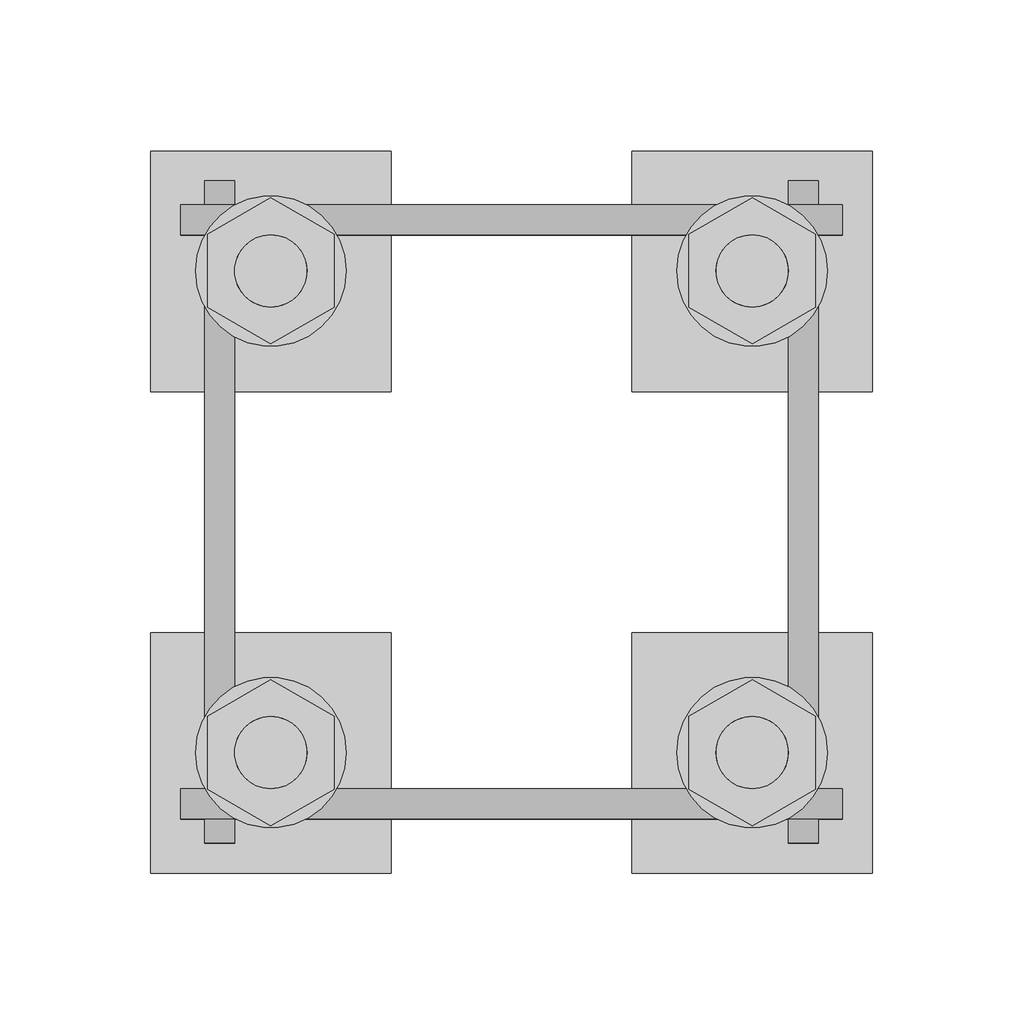
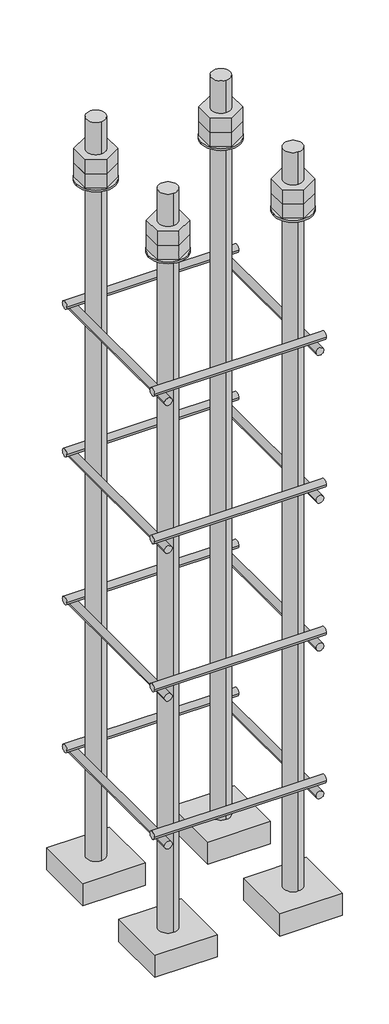
# One storey, part 5 of 66: 1 fastener.
"""IFC4 building model written with IfcOpenShell, lengths in millimetres."""

from ifc_helpers import new_model, si_unit, point, frame, frame_2d, origin, place, context, project, spatial, polyline, circle_curve, trimmed, segment, composite_curve, outline, extrude, element, save
from ifc_brep_helpers import plane_surface, cylinder_surface, advanced_brep

model = new_model("IFC4")

# Units and contexts
model_context = context("Model", 3, world=origin())
ifc_project = project(units=[si_unit("LENGTHUNIT", "METRE", prefix="MILLI")], contexts=[model_context])

# Site, building, storey
site = spatial("IfcSite", under=ifc_project)
building = spatial("IfcBuilding", under=site)
storey = spatial("IfcBuildingStorey", under=building, Elevation=9070.0)

# Fastener
placement = place(None, origin())
element("IfcFastener", 1, ObjectType="AU1 : AU-01", at=placement, inside=storey, context=model_context, shape_type="SolidModel", body=[
    extrude(outline(composite_curve([segment(trimmed(circle_curve(frame_2d((14703.0, 8595.0)), 5.0), [point((14698.0, 8595.0))], [point((14708.0, 8595.0))], False, "CARTESIAN"), True, "CONTINUOUS"), segment(trimmed(circle_curve(frame_2d((14703.0, 8595.0)), 5.0), [point((14708.0, 8595.0))], [point((14698.0, 8595.0))], False, "CARTESIAN"), True, "CONTINUOUS")], self_intersect=False)), frame((17040.0, 0.0, 0.0), z_axis=(1.0, 0.0, 0.0), x_axis=(0.0, 1.0, 0.0)), (0.0, 0.0, 1.0), 220.0),
    extrude(outline(composite_curve([segment(trimmed(circle_curve(frame_2d((14897.0, 8595.0)), 5.0), [point((14902.0, 8595.0))], [point((14892.0, 8595.0))], False, "CARTESIAN"), True, "CONTINUOUS"), segment(trimmed(circle_curve(frame_2d((14897.0, 8595.0)), 5.0), [point((14892.0, 8595.0))], [point((14902.0, 8595.0))], False, "CARTESIAN"), True, "CONTINUOUS")], self_intersect=False)), frame((17040.0, 0.0, 0.0), z_axis=(1.0, 0.0, 0.0), x_axis=(0.0, 1.0, 0.0)), (0.0, 0.0, 1.0), 220.0),
    extrude(outline(composite_curve([segment(trimmed(circle_curve(frame_2d((8585.0, 17053.0)), 5.0), [point((8585.0, 17048.0))], [point((8585.0, 17058.0))], False, "CARTESIAN"), True, "CONTINUOUS"), segment(trimmed(circle_curve(frame_2d((8585.0, 17053.0)), 5.0), [point((8585.0, 17058.0))], [point((8585.0, 17048.0))], False, "CARTESIAN"), True, "CONTINUOUS")], self_intersect=False)), frame((0.0, 14690.0, 0.0), z_axis=(0.0, 1.0, 0.0), x_axis=(0.0, 0.0, 1.0)), (0.0, 0.0, 1.0), 220.0),
    extrude(outline(composite_curve([segment(trimmed(circle_curve(frame_2d((8585.0, 17247.0)), 5.0), [point((8585.0, 17252.0))], [point((8585.0, 17242.0))], False, "CARTESIAN"), True, "CONTINUOUS"), segment(trimmed(circle_curve(frame_2d((8585.0, 17247.0)), 5.0), [point((8585.0, 17242.0))], [point((8585.0, 17252.0))], False, "CARTESIAN"), True, "CONTINUOUS")], self_intersect=False)), frame((0.0, 14690.0, 0.0), z_axis=(0.0, 1.0, 0.0), x_axis=(0.0, 0.0, 1.0)), (0.0, 0.0, 1.0), 220.0),
    extrude(outline(composite_curve([segment(trimmed(circle_curve(frame_2d((14703.0, 8795.0)), 5.0), [point((14698.0, 8795.0))], [point((14708.0, 8795.0))], False, "CARTESIAN"), True, "CONTINUOUS"), segment(trimmed(circle_curve(frame_2d((14703.0, 8795.0)), 5.0), [point((14708.0, 8795.0))], [point((14698.0, 8795.0))], False, "CARTESIAN"), True, "CONTINUOUS")], self_intersect=False)), frame((17040.0, 0.0, 0.0), z_axis=(1.0, 0.0, 0.0), x_axis=(0.0, 1.0, 0.0)), (0.0, 0.0, 1.0), 220.0),
    extrude(outline(composite_curve([segment(trimmed(circle_curve(frame_2d((14897.0, 8795.0)), 5.0), [point((14902.0, 8795.0))], [point((14892.0, 8795.0))], False, "CARTESIAN"), True, "CONTINUOUS"), segment(trimmed(circle_curve(frame_2d((14897.0, 8795.0)), 5.0), [point((14892.0, 8795.0))], [point((14902.0, 8795.0))], False, "CARTESIAN"), True, "CONTINUOUS")], self_intersect=False)), frame((17040.0, 0.0, 0.0), z_axis=(1.0, 0.0, 0.0), x_axis=(0.0, 1.0, 0.0)), (0.0, 0.0, 1.0), 220.0),
    extrude(outline(composite_curve([segment(trimmed(circle_curve(frame_2d((8785.0, 17053.0)), 5.0), [point((8785.0, 17048.0))], [point((8785.0, 17058.0))], False, "CARTESIAN"), True, "CONTINUOUS"), segment(trimmed(circle_curve(frame_2d((8785.0, 17053.0)), 5.0), [point((8785.0, 17058.0))], [point((8785.0, 17048.0))], False, "CARTESIAN"), True, "CONTINUOUS")], self_intersect=False)), frame((0.0, 14690.0, 0.0), z_axis=(0.0, 1.0, 0.0), x_axis=(0.0, 0.0, 1.0)), (0.0, 0.0, 1.0), 220.0),
    extrude(outline(composite_curve([segment(trimmed(circle_curve(frame_2d((8785.0, 17247.0)), 5.0), [point((8785.0, 17252.0))], [point((8785.0, 17242.0))], False, "CARTESIAN"), True, "CONTINUOUS"), segment(trimmed(circle_curve(frame_2d((8785.0, 17247.0)), 5.0), [point((8785.0, 17242.0))], [point((8785.0, 17252.0))], False, "CARTESIAN"), True, "CONTINUOUS")], self_intersect=False)), frame((0.0, 14690.0, 0.0), z_axis=(0.0, 1.0, 0.0), x_axis=(0.0, 0.0, 1.0)), (0.0, 0.0, 1.0), 220.0),
    extrude(outline(composite_curve([segment(trimmed(circle_curve(frame_2d((14703.0, 8995.0)), 5.0), [point((14698.0, 8995.0))], [point((14708.0, 8995.0))], False, "CARTESIAN"), True, "CONTINUOUS"), segment(trimmed(circle_curve(frame_2d((14703.0, 8995.0)), 5.0), [point((14708.0, 8995.0))], [point((14698.0, 8995.0))], False, "CARTESIAN"), True, "CONTINUOUS")], self_intersect=False)), frame((17040.0, 0.0, 0.0), z_axis=(1.0, 0.0, 0.0), x_axis=(0.0, 1.0, 0.0)), (0.0, 0.0, 1.0), 220.0),
    extrude(outline(composite_curve([segment(trimmed(circle_curve(frame_2d((14897.0, 8995.0)), 5.0), [point((14902.0, 8995.0))], [point((14892.0, 8995.0))], False, "CARTESIAN"), True, "CONTINUOUS"), segment(trimmed(circle_curve(frame_2d((14897.0, 8995.0)), 5.0), [point((14892.0, 8995.0))], [point((14902.0, 8995.0))], False, "CARTESIAN"), True, "CONTINUOUS")], self_intersect=False)), frame((17040.0, 0.0, 0.0), z_axis=(1.0, 0.0, 0.0), x_axis=(0.0, 1.0, 0.0)), (0.0, 0.0, 1.0), 220.0),
    extrude(outline(composite_curve([segment(trimmed(circle_curve(frame_2d((8985.0, 17053.0)), 5.0), [point((8985.0, 17048.0))], [point((8985.0, 17058.0))], False, "CARTESIAN"), True, "CONTINUOUS"), segment(trimmed(circle_curve(frame_2d((8985.0, 17053.0)), 5.0), [point((8985.0, 17058.0))], [point((8985.0, 17048.0))], False, "CARTESIAN"), True, "CONTINUOUS")], self_intersect=False)), frame((0.0, 14690.0, 0.0), z_axis=(0.0, 1.0, 0.0), x_axis=(0.0, 0.0, 1.0)), (0.0, 0.0, 1.0), 220.0),
    extrude(outline(composite_curve([segment(trimmed(circle_curve(frame_2d((8985.0, 17247.0)), 5.0), [point((8985.0, 17252.0))], [point((8985.0, 17242.0))], False, "CARTESIAN"), True, "CONTINUOUS"), segment(trimmed(circle_curve(frame_2d((8985.0, 17247.0)), 5.0), [point((8985.0, 17242.0))], [point((8985.0, 17252.0))], False, "CARTESIAN"), True, "CONTINUOUS")], self_intersect=False)), frame((0.0, 14690.0, 0.0), z_axis=(0.0, 1.0, 0.0), x_axis=(0.0, 0.0, 1.0)), (0.0, 0.0, 1.0), 220.0),
    extrude(outline(composite_curve([segment(trimmed(circle_curve(frame_2d((14703.0, 9195.0)), 5.0), [point((14698.0, 9195.0))], [point((14708.0, 9195.0))], False, "CARTESIAN"), True, "CONTINUOUS"), segment(trimmed(circle_curve(frame_2d((14703.0, 9195.0)), 5.0), [point((14708.0, 9195.0))], [point((14698.0, 9195.0))], False, "CARTESIAN"), True, "CONTINUOUS")], self_intersect=False)), frame((17040.0, 0.0, 0.0), z_axis=(1.0, 0.0, 0.0), x_axis=(0.0, 1.0, 0.0)), (0.0, 0.0, 1.0), 220.0),
    extrude(outline(composite_curve([segment(trimmed(circle_curve(frame_2d((14897.0, 9195.0)), 5.0), [point((14902.0, 9195.0))], [point((14892.0, 9195.0))], False, "CARTESIAN"), True, "CONTINUOUS"), segment(trimmed(circle_curve(frame_2d((14897.0, 9195.0)), 5.0), [point((14892.0, 9195.0))], [point((14902.0, 9195.0))], False, "CARTESIAN"), True, "CONTINUOUS")], self_intersect=False)), frame((17040.0, 0.0, 0.0), z_axis=(1.0, 0.0, 0.0), x_axis=(0.0, 1.0, 0.0)), (0.0, 0.0, 1.0), 220.0),
    extrude(outline(composite_curve([segment(trimmed(circle_curve(frame_2d((9185.0, 17053.0)), 5.0), [point((9185.0, 17048.0))], [point((9185.0, 17058.0))], False, "CARTESIAN"), True, "CONTINUOUS"), segment(trimmed(circle_curve(frame_2d((9185.0, 17053.0)), 5.0), [point((9185.0, 17058.0))], [point((9185.0, 17048.0))], False, "CARTESIAN"), True, "CONTINUOUS")], self_intersect=False)), frame((0.0, 14690.0, 0.0), z_axis=(0.0, 1.0, 0.0), x_axis=(0.0, 0.0, 1.0)), (0.0, 0.0, 1.0), 220.0),
    extrude(outline(composite_curve([segment(trimmed(circle_curve(frame_2d((9185.0, 17247.0)), 5.0), [point((9185.0, 17252.0))], [point((9185.0, 17242.0))], False, "CARTESIAN"), True, "CONTINUOUS"), segment(trimmed(circle_curve(frame_2d((9185.0, 17247.0)), 5.0), [point((9185.0, 17242.0))], [point((9185.0, 17252.0))], False, "CARTESIAN"), True, "CONTINUOUS")], self_intersect=False)), frame((0.0, 14690.0, 0.0), z_axis=(0.0, 1.0, 0.0), x_axis=(0.0, 0.0, 1.0)), (0.0, 0.0, 1.0), 220.0),
    advanced_brep(
    [(17110.0, 14920.0, 8450.0), (17030.0, 14920.0, 8450.0), (17030.0, 14840.0, 8450.0), (17110.0, 14840.0, 8450.0), (17070.0, 14868.0, 8450.0), (17070.0, 14892.0, 8450.0), (17110.0, 14920.0, 8420.0), (17110.0, 14840.0, 8420.0), (17030.0, 14840.0, 8420.0), (17030.0, 14920.0, 8420.0), (17070.0, 14892.0, 9450.0), (17070.0, 14868.0, 9450.0)],
    [
        (0, 1),
        (1, 2),
        (2, 3),
        (3, 0),
        (4, 5, circle_curve(frame((17070.0, 14880.0, 8450.0), z_axis=(0.0, 0.0, -1.0), x_axis=(0.0, -1.0, 0.0)), 12.0)),
        (5, 4, circle_curve(frame((17070.0, 14880.0, 8450.0), z_axis=(0.0, 0.0, -1.0), x_axis=(0.0, -1.0, 0.0)), 12.0)),
        (6, 7),
        (7, 8),
        (8, 9),
        (9, 6),
        (0, 6),
        (9, 1),
        (8, 2),
        (7, 3),
        (10, 11, circle_curve(frame((17070.0, 14880.0, 9450.0), z_axis=(0.0, 0.0, 1.0), x_axis=(0.0, -1.0, 0.0)), 12.0)),
        (11, 10, circle_curve(frame((17070.0, 14880.0, 9450.0), z_axis=(0.0, 0.0, 1.0), x_axis=(0.0, -1.0, 0.0)), 12.0)),
        (10, 5),
        (4, 11),
    ],
    [
        plane_surface(frame((17030.0, 14920.0, 8450.0), z_axis=(0.0, 0.0, 1.0), x_axis=(-1.0, 0.0, 0.0))),
        plane_surface(frame((17030.0, 14920.0, 8420.0), z_axis=(0.0, 0.0, -1.0), x_axis=(1.0, 0.0, 0.0))),
        plane_surface(frame((17110.0, 14920.0, 8450.0), z_axis=(0.0, 1.0, 0.0), x_axis=(0.0, 0.0, -1.0))),
        plane_surface(frame((17030.0, 14920.0, 8450.0), z_axis=(-1.0, 0.0, 0.0), x_axis=(0.0, 0.0, -1.0))),
        plane_surface(frame((17030.0, 14840.0, 8450.0), z_axis=(0.0, -1.0, 0.0), x_axis=(0.0, 0.0, -1.0))),
        plane_surface(frame((17110.0, 14840.0, 8450.0), z_axis=(1.0, 0.0, 0.0), x_axis=(0.0, 0.0, -1.0))),
        plane_surface(frame((17070.0, 14880.0, 9450.0), z_axis=(0.0, 0.0, 1.0), x_axis=(0.0, -1.0, 0.0))),
        cylinder_surface(frame((17070.0, 14880.0, 9450.0), z_axis=(0.0, 0.0, 1.0), x_axis=(0.0, -1.0, 0.0)), 12.0),
    ],
    [
        (0, [[1, 2, 3, 4], [5, 6]]),
        (1, [[7, 8, 9, 10]]),
        (2, [[-1, 11, -10, 12]]),
        (3, [[-2, -12, -9, 13]]),
        (4, [[-3, -13, -8, 14]]),
        (5, [[-4, -14, -7, -11]]),
        (6, [[15, 16]]),
        (7, [[-15, 17, -5, 18]]),
        (7, [[-16, -18, -6, -17]]),
    ],
),
    extrude(outline(composite_curve([segment(trimmed(circle_curve(frame_2d((17070.0, 14880.0)), 25.0), [point((17095.0, 14880.0))], [point((17045.0, 14880.0))], False, "CARTESIAN"), True, "CONTINUOUS"), segment(trimmed(circle_curve(frame_2d((17070.0, 14880.0)), 25.0), [point((17045.0, 14880.0))], [point((17095.0, 14880.0))], False, "CARTESIAN"), True, "CONTINUOUS")], self_intersect=False), holes=[composite_curve([segment(trimmed(circle_curve(frame_2d((17070.0, 14880.0)), 12.0), [point((17082.0, 14880.0))], [point((17058.0, 14880.0))], True, "CARTESIAN"), True, "CONTINUOUS"), segment(trimmed(circle_curve(frame_2d((17070.0, 14880.0)), 12.0), [point((17058.0, 14880.0))], [point((17082.0, 14880.0))], True, "CARTESIAN"), True, "CONTINUOUS")], self_intersect=False)]), frame((0.0, 0.0, 9365.0), z_axis=(0.0, 0.0, 1.0), x_axis=(1.0, 0.0, 0.0)), (0.0, 0.0, 1.0), 2.5),
    extrude(outline(polyline([(17070.0, 14904.2487113), (17091.0, 14892.1243557), (17091.0, 14867.8756443), (17070.0, 14855.7512887), (17049.0, 14867.8756443), (17049.0, 14892.1243557), (17070.0, 14904.2487113)]), holes=[composite_curve([segment(trimmed(circle_curve(frame_2d((17070.0, 14880.0)), 12.0), [point((17082.0, 14880.0))], [point((17058.0, 14880.0))], True, "CARTESIAN"), True, "CONTINUOUS"), segment(trimmed(circle_curve(frame_2d((17070.0, 14880.0)), 12.0), [point((17058.0, 14880.0))], [point((17082.0, 14880.0))], True, "CARTESIAN"), True, "CONTINUOUS")], self_intersect=False)]), frame((0.0, 0.0, 9387.0), z_axis=(0.0, 0.0, 1.0), x_axis=(1.0, 0.0, 0.0)), (0.0, 0.0, 1.0), 19.5),
    extrude(outline(polyline([(17070.0, 14904.2487113), (17091.0, 14892.1243557), (17091.0, 14867.8756443), (17070.0, 14855.7512887), (17049.0, 14867.8756443), (17049.0, 14892.1243557), (17070.0, 14904.2487113)]), holes=[composite_curve([segment(trimmed(circle_curve(frame_2d((17070.0, 14880.0)), 12.0), [point((17082.0, 14880.0))], [point((17058.0, 14880.0))], True, "CARTESIAN"), True, "CONTINUOUS"), segment(trimmed(circle_curve(frame_2d((17070.0, 14880.0)), 12.0), [point((17058.0, 14880.0))], [point((17082.0, 14880.0))], True, "CARTESIAN"), True, "CONTINUOUS")], self_intersect=False)]), frame((0.0, 0.0, 9367.5), z_axis=(0.0, 0.0, 1.0), x_axis=(1.0, 0.0, 0.0)), (0.0, 0.0, 1.0), 19.5),
    advanced_brep(
    [(17190.0, 14840.0, 8450.0), (17270.0, 14840.0, 8450.0), (17270.0, 14920.0, 8450.0), (17190.0, 14920.0, 8450.0), (17230.0, 14892.0, 8450.0), (17230.0, 14868.0, 8450.0), (17190.0, 14840.0, 8420.0), (17190.0, 14920.0, 8420.0), (17270.0, 14920.0, 8420.0), (17270.0, 14840.0, 8420.0), (17230.0, 14868.0, 9450.0), (17230.0, 14892.0, 9450.0)],
    [
        (0, 1),
        (1, 2),
        (2, 3),
        (3, 0),
        (4, 5, circle_curve(frame((17230.0, 14880.0, 8450.0), z_axis=(0.0, 0.0, -1.0), x_axis=(0.0, 1.0, 0.0)), 12.0)),
        (5, 4, circle_curve(frame((17230.0, 14880.0, 8450.0), z_axis=(0.0, 0.0, -1.0), x_axis=(0.0, 1.0, 0.0)), 12.0)),
        (6, 7),
        (7, 8),
        (8, 9),
        (9, 6),
        (0, 6),
        (9, 1),
        (8, 2),
        (7, 3),
        (10, 11, circle_curve(frame((17230.0, 14880.0, 9450.0), z_axis=(0.0, 0.0, 1.0), x_axis=(0.0, 1.0, 0.0)), 12.0)),
        (11, 10, circle_curve(frame((17230.0, 14880.0, 9450.0), z_axis=(0.0, 0.0, 1.0), x_axis=(0.0, 1.0, 0.0)), 12.0)),
        (10, 5),
        (4, 11),
    ],
    [
        plane_surface(frame((17270.0, 14840.0, 8450.0), z_axis=(0.0, 0.0, 1.0), x_axis=(1.0, 0.0, 0.0))),
        plane_surface(frame((17270.0, 14840.0, 8420.0), z_axis=(0.0, 0.0, -1.0), x_axis=(-1.0, 0.0, 0.0))),
        plane_surface(frame((17190.0, 14840.0, 8450.0), z_axis=(0.0, -1.0, 0.0), x_axis=(0.0, 0.0, -1.0))),
        plane_surface(frame((17270.0, 14840.0, 8450.0), z_axis=(1.0, 0.0, 0.0), x_axis=(0.0, 0.0, -1.0))),
        plane_surface(frame((17270.0, 14920.0, 8450.0), z_axis=(0.0, 1.0, 0.0), x_axis=(0.0, 0.0, -1.0))),
        plane_surface(frame((17190.0, 14920.0, 8450.0), z_axis=(-1.0, 0.0, 0.0), x_axis=(0.0, 0.0, -1.0))),
        plane_surface(frame((17230.0, 14880.0, 9450.0), z_axis=(0.0, 0.0, 1.0), x_axis=(0.0, 1.0, 0.0))),
        cylinder_surface(frame((17230.0, 14880.0, 9450.0), z_axis=(0.0, 0.0, 1.0), x_axis=(0.0, 1.0, 0.0)), 12.0),
    ],
    [
        (0, [[1, 2, 3, 4], [5, 6]]),
        (1, [[7, 8, 9, 10]]),
        (2, [[-1, 11, -10, 12]]),
        (3, [[-2, -12, -9, 13]]),
        (4, [[-3, -13, -8, 14]]),
        (5, [[-4, -14, -7, -11]]),
        (6, [[15, 16]]),
        (7, [[-15, 17, -5, 18]]),
        (7, [[-16, -18, -6, -17]]),
    ],
),
    extrude(outline(composite_curve([segment(trimmed(circle_curve(frame_2d((17230.0, 14880.0)), 25.0), [point((17205.0, 14880.0))], [point((17255.0, 14880.0))], False, "CARTESIAN"), True, "CONTINUOUS"), segment(trimmed(circle_curve(frame_2d((17230.0, 14880.0)), 25.0), [point((17255.0, 14880.0))], [point((17205.0, 14880.0))], False, "CARTESIAN"), True, "CONTINUOUS")], self_intersect=False), holes=[composite_curve([segment(trimmed(circle_curve(frame_2d((17230.0, 14880.0)), 12.0), [point((17218.0, 14880.0))], [point((17242.0, 14880.0))], True, "CARTESIAN"), True, "CONTINUOUS"), segment(trimmed(circle_curve(frame_2d((17230.0, 14880.0)), 12.0), [point((17242.0, 14880.0))], [point((17218.0, 14880.0))], True, "CARTESIAN"), True, "CONTINUOUS")], self_intersect=False)]), frame((0.0, 0.0, 9365.0), z_axis=(0.0, 0.0, 1.0), x_axis=(1.0, 0.0, 0.0)), (0.0, 0.0, 1.0), 2.5),
    extrude(outline(polyline([(17230.0, 14855.7512887), (17209.0, 14867.8756443), (17209.0, 14892.1243557), (17230.0, 14904.2487113), (17251.0, 14892.1243557), (17251.0, 14867.8756443), (17230.0, 14855.7512887)]), holes=[composite_curve([segment(trimmed(circle_curve(frame_2d((17230.0, 14880.0)), 12.0), [point((17218.0, 14880.0))], [point((17242.0, 14880.0))], True, "CARTESIAN"), True, "CONTINUOUS"), segment(trimmed(circle_curve(frame_2d((17230.0, 14880.0)), 12.0), [point((17242.0, 14880.0))], [point((17218.0, 14880.0))], True, "CARTESIAN"), True, "CONTINUOUS")], self_intersect=False)]), frame((0.0, 0.0, 9387.0), z_axis=(0.0, 0.0, 1.0), x_axis=(1.0, 0.0, 0.0)), (0.0, 0.0, 1.0), 19.5),
    extrude(outline(polyline([(17230.0, 14855.7512887), (17209.0, 14867.8756443), (17209.0, 14892.1243557), (17230.0, 14904.2487113), (17251.0, 14892.1243557), (17251.0, 14867.8756443), (17230.0, 14855.7512887)]), holes=[composite_curve([segment(trimmed(circle_curve(frame_2d((17230.0, 14880.0)), 12.0), [point((17218.0, 14880.0))], [point((17242.0, 14880.0))], True, "CARTESIAN"), True, "CONTINUOUS"), segment(trimmed(circle_curve(frame_2d((17230.0, 14880.0)), 12.0), [point((17242.0, 14880.0))], [point((17218.0, 14880.0))], True, "CARTESIAN"), True, "CONTINUOUS")], self_intersect=False)]), frame((0.0, 0.0, 9367.5), z_axis=(0.0, 0.0, 1.0), x_axis=(1.0, 0.0, 0.0)), (0.0, 0.0, 1.0), 19.5),
    advanced_brep(
    [(17190.0, 14680.0, 8450.0), (17270.0, 14680.0, 8450.0), (17270.0, 14760.0, 8450.0), (17190.0, 14760.0, 8450.0), (17230.0, 14732.0, 8450.0), (17230.0, 14708.0, 8450.0), (17190.0, 14680.0, 8420.0), (17190.0, 14760.0, 8420.0), (17270.0, 14760.0, 8420.0), (17270.0, 14680.0, 8420.0), (17230.0, 14708.0, 9450.0), (17230.0, 14732.0, 9450.0)],
    [
        (0, 1),
        (1, 2),
        (2, 3),
        (3, 0),
        (4, 5, circle_curve(frame((17230.0, 14720.0, 8450.0), z_axis=(0.0, 0.0, -1.0), x_axis=(0.0, 1.0, 0.0)), 12.0)),
        (5, 4, circle_curve(frame((17230.0, 14720.0, 8450.0), z_axis=(0.0, 0.0, -1.0), x_axis=(0.0, 1.0, 0.0)), 12.0)),
        (6, 7),
        (7, 8),
        (8, 9),
        (9, 6),
        (0, 6),
        (9, 1),
        (8, 2),
        (7, 3),
        (10, 11, circle_curve(frame((17230.0, 14720.0, 9450.0), z_axis=(0.0, 0.0, 1.0), x_axis=(0.0, 1.0, 0.0)), 12.0)),
        (11, 10, circle_curve(frame((17230.0, 14720.0, 9450.0), z_axis=(0.0, 0.0, 1.0), x_axis=(0.0, 1.0, 0.0)), 12.0)),
        (10, 5),
        (4, 11),
    ],
    [
        plane_surface(frame((17270.0, 14680.0, 8450.0), z_axis=(0.0, 0.0, 1.0), x_axis=(1.0, 0.0, 0.0))),
        plane_surface(frame((17270.0, 14680.0, 8420.0), z_axis=(0.0, 0.0, -1.0), x_axis=(-1.0, 0.0, 0.0))),
        plane_surface(frame((17190.0, 14680.0, 8450.0), z_axis=(0.0, -1.0, 0.0), x_axis=(0.0, 0.0, -1.0))),
        plane_surface(frame((17270.0, 14680.0, 8450.0), z_axis=(1.0, 0.0, 0.0), x_axis=(0.0, 0.0, -1.0))),
        plane_surface(frame((17270.0, 14760.0, 8450.0), z_axis=(0.0, 1.0, 0.0), x_axis=(0.0, 0.0, -1.0))),
        plane_surface(frame((17190.0, 14760.0, 8450.0), z_axis=(-1.0, 0.0, 0.0), x_axis=(0.0, 0.0, -1.0))),
        plane_surface(frame((17230.0, 14720.0, 9450.0), z_axis=(0.0, 0.0, 1.0), x_axis=(0.0, 1.0, 0.0))),
        cylinder_surface(frame((17230.0, 14720.0, 9450.0), z_axis=(0.0, 0.0, 1.0), x_axis=(0.0, 1.0, 0.0)), 12.0),
    ],
    [
        (0, [[1, 2, 3, 4], [5, 6]]),
        (1, [[7, 8, 9, 10]]),
        (2, [[-1, 11, -10, 12]]),
        (3, [[-2, -12, -9, 13]]),
        (4, [[-3, -13, -8, 14]]),
        (5, [[-4, -14, -7, -11]]),
        (6, [[15, 16]]),
        (7, [[-15, 17, -5, 18]]),
        (7, [[-16, -18, -6, -17]]),
    ],
),
    extrude(outline(composite_curve([segment(trimmed(circle_curve(frame_2d((17230.0, 14720.0)), 25.0), [point((17205.0, 14720.0))], [point((17255.0, 14720.0))], False, "CARTESIAN"), True, "CONTINUOUS"), segment(trimmed(circle_curve(frame_2d((17230.0, 14720.0)), 25.0), [point((17255.0, 14720.0))], [point((17205.0, 14720.0))], False, "CARTESIAN"), True, "CONTINUOUS")], self_intersect=False), holes=[composite_curve([segment(trimmed(circle_curve(frame_2d((17230.0, 14720.0)), 12.0), [point((17218.0, 14720.0))], [point((17242.0, 14720.0))], True, "CARTESIAN"), True, "CONTINUOUS"), segment(trimmed(circle_curve(frame_2d((17230.0, 14720.0)), 12.0), [point((17242.0, 14720.0))], [point((17218.0, 14720.0))], True, "CARTESIAN"), True, "CONTINUOUS")], self_intersect=False)]), frame((0.0, 0.0, 9365.0), z_axis=(0.0, 0.0, 1.0), x_axis=(1.0, 0.0, 0.0)), (0.0, 0.0, 1.0), 2.5),
    extrude(outline(polyline([(17230.0, 14695.7512887), (17209.0, 14707.8756443), (17209.0, 14732.1243557), (17230.0, 14744.2487113), (17251.0, 14732.1243557), (17251.0, 14707.8756443), (17230.0, 14695.7512887)]), holes=[composite_curve([segment(trimmed(circle_curve(frame_2d((17230.0, 14720.0)), 12.0), [point((17218.0, 14720.0))], [point((17242.0, 14720.0))], True, "CARTESIAN"), True, "CONTINUOUS"), segment(trimmed(circle_curve(frame_2d((17230.0, 14720.0)), 12.0), [point((17242.0, 14720.0))], [point((17218.0, 14720.0))], True, "CARTESIAN"), True, "CONTINUOUS")], self_intersect=False)]), frame((0.0, 0.0, 9387.0), z_axis=(0.0, 0.0, 1.0), x_axis=(1.0, 0.0, 0.0)), (0.0, 0.0, 1.0), 19.5),
    extrude(outline(polyline([(17230.0, 14695.7512887), (17209.0, 14707.8756443), (17209.0, 14732.1243557), (17230.0, 14744.2487113), (17251.0, 14732.1243557), (17251.0, 14707.8756443), (17230.0, 14695.7512887)]), holes=[composite_curve([segment(trimmed(circle_curve(frame_2d((17230.0, 14720.0)), 12.0), [point((17218.0, 14720.0))], [point((17242.0, 14720.0))], True, "CARTESIAN"), True, "CONTINUOUS"), segment(trimmed(circle_curve(frame_2d((17230.0, 14720.0)), 12.0), [point((17242.0, 14720.0))], [point((17218.0, 14720.0))], True, "CARTESIAN"), True, "CONTINUOUS")], self_intersect=False)]), frame((0.0, 0.0, 9367.5), z_axis=(0.0, 0.0, 1.0), x_axis=(1.0, 0.0, 0.0)), (0.0, 0.0, 1.0), 19.5),
    advanced_brep(
    [(17110.0, 14760.0, 8450.0), (17030.0, 14760.0, 8450.0), (17030.0, 14680.0, 8450.0), (17110.0, 14680.0, 8450.0), (17070.0, 14708.0, 8450.0), (17070.0, 14732.0, 8450.0), (17110.0, 14760.0, 8420.0), (17110.0, 14680.0, 8420.0), (17030.0, 14680.0, 8420.0), (17030.0, 14760.0, 8420.0), (17070.0, 14732.0, 9450.0), (17070.0, 14708.0, 9450.0)],
    [
        (0, 1),
        (1, 2),
        (2, 3),
        (3, 0),
        (4, 5, circle_curve(frame((17070.0, 14720.0, 8450.0), z_axis=(0.0, 0.0, -1.0), x_axis=(0.0, -1.0, 0.0)), 12.0)),
        (5, 4, circle_curve(frame((17070.0, 14720.0, 8450.0), z_axis=(0.0, 0.0, -1.0), x_axis=(0.0, -1.0, 0.0)), 12.0)),
        (6, 7),
        (7, 8),
        (8, 9),
        (9, 6),
        (0, 6),
        (9, 1),
        (8, 2),
        (7, 3),
        (10, 11, circle_curve(frame((17070.0, 14720.0, 9450.0), z_axis=(0.0, 0.0, 1.0), x_axis=(0.0, -1.0, 0.0)), 12.0)),
        (11, 10, circle_curve(frame((17070.0, 14720.0, 9450.0), z_axis=(0.0, 0.0, 1.0), x_axis=(0.0, -1.0, 0.0)), 12.0)),
        (10, 5),
        (4, 11),
    ],
    [
        plane_surface(frame((17030.0, 14760.0, 8450.0), z_axis=(0.0, 0.0, 1.0), x_axis=(-1.0, 0.0, 0.0))),
        plane_surface(frame((17030.0, 14760.0, 8420.0), z_axis=(0.0, 0.0, -1.0), x_axis=(1.0, 0.0, 0.0))),
        plane_surface(frame((17110.0, 14760.0, 8450.0), z_axis=(0.0, 1.0, 0.0), x_axis=(0.0, 0.0, -1.0))),
        plane_surface(frame((17030.0, 14760.0, 8450.0), z_axis=(-1.0, 0.0, 0.0), x_axis=(0.0, 0.0, -1.0))),
        plane_surface(frame((17030.0, 14680.0, 8450.0), z_axis=(0.0, -1.0, 0.0), x_axis=(0.0, 0.0, -1.0))),
        plane_surface(frame((17110.0, 14680.0, 8450.0), z_axis=(1.0, 0.0, 0.0), x_axis=(0.0, 0.0, -1.0))),
        plane_surface(frame((17070.0, 14720.0, 9450.0), z_axis=(0.0, 0.0, 1.0), x_axis=(0.0, -1.0, 0.0))),
        cylinder_surface(frame((17070.0, 14720.0, 9450.0), z_axis=(0.0, 0.0, 1.0), x_axis=(0.0, -1.0, 0.0)), 12.0),
    ],
    [
        (0, [[1, 2, 3, 4], [5, 6]]),
        (1, [[7, 8, 9, 10]]),
        (2, [[-1, 11, -10, 12]]),
        (3, [[-2, -12, -9, 13]]),
        (4, [[-3, -13, -8, 14]]),
        (5, [[-4, -14, -7, -11]]),
        (6, [[15, 16]]),
        (7, [[-15, 17, -5, 18]]),
        (7, [[-16, -18, -6, -17]]),
    ],
),
    extrude(outline(composite_curve([segment(trimmed(circle_curve(frame_2d((17070.0, 14720.0)), 25.0), [point((17095.0, 14720.0))], [point((17045.0, 14720.0))], False, "CARTESIAN"), True, "CONTINUOUS"), segment(trimmed(circle_curve(frame_2d((17070.0, 14720.0)), 25.0), [point((17045.0, 14720.0))], [point((17095.0, 14720.0))], False, "CARTESIAN"), True, "CONTINUOUS")], self_intersect=False), holes=[composite_curve([segment(trimmed(circle_curve(frame_2d((17070.0, 14720.0)), 12.0), [point((17082.0, 14720.0))], [point((17058.0, 14720.0))], True, "CARTESIAN"), True, "CONTINUOUS"), segment(trimmed(circle_curve(frame_2d((17070.0, 14720.0)), 12.0), [point((17058.0, 14720.0))], [point((17082.0, 14720.0))], True, "CARTESIAN"), True, "CONTINUOUS")], self_intersect=False)]), frame((0.0, 0.0, 9365.0), z_axis=(0.0, 0.0, 1.0), x_axis=(1.0, 0.0, 0.0)), (0.0, 0.0, 1.0), 2.5),
    extrude(outline(polyline([(17070.0, 14744.2487113), (17091.0, 14732.1243557), (17091.0, 14707.8756443), (17070.0, 14695.7512887), (17049.0, 14707.8756443), (17049.0, 14732.1243557), (17070.0, 14744.2487113)]), holes=[composite_curve([segment(trimmed(circle_curve(frame_2d((17070.0, 14720.0)), 12.0), [point((17082.0, 14720.0))], [point((17058.0, 14720.0))], True, "CARTESIAN"), True, "CONTINUOUS"), segment(trimmed(circle_curve(frame_2d((17070.0, 14720.0)), 12.0), [point((17058.0, 14720.0))], [point((17082.0, 14720.0))], True, "CARTESIAN"), True, "CONTINUOUS")], self_intersect=False)]), frame((0.0, 0.0, 9387.0), z_axis=(0.0, 0.0, 1.0), x_axis=(1.0, 0.0, 0.0)), (0.0, 0.0, 1.0), 19.5),
    extrude(outline(polyline([(17070.0, 14744.2487113), (17091.0, 14732.1243557), (17091.0, 14707.8756443), (17070.0, 14695.7512887), (17049.0, 14707.8756443), (17049.0, 14732.1243557), (17070.0, 14744.2487113)]), holes=[composite_curve([segment(trimmed(circle_curve(frame_2d((17070.0, 14720.0)), 12.0), [point((17082.0, 14720.0))], [point((17058.0, 14720.0))], True, "CARTESIAN"), True, "CONTINUOUS"), segment(trimmed(circle_curve(frame_2d((17070.0, 14720.0)), 12.0), [point((17058.0, 14720.0))], [point((17082.0, 14720.0))], True, "CARTESIAN"), True, "CONTINUOUS")], self_intersect=False)]), frame((0.0, 0.0, 9367.5), z_axis=(0.0, 0.0, 1.0), x_axis=(1.0, 0.0, 0.0)), (0.0, 0.0, 1.0), 19.5),
])

save(model, "model.ifc")
